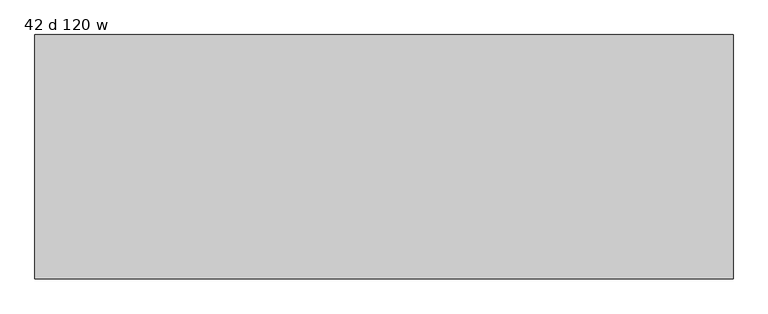
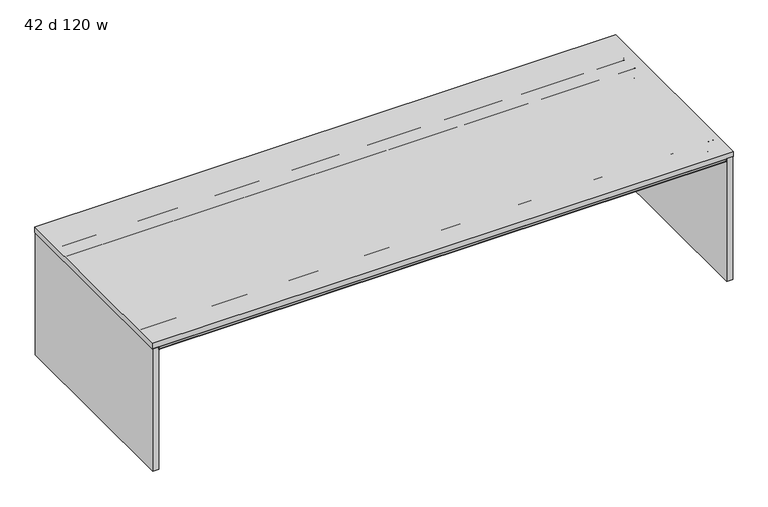
"""IFC4 building model written with IfcOpenShell, lengths in millimetres: furniture geometry, 42 d 120 w."""

from ifc_helpers import new_model, si_unit, frame, origin, place, context, project, spatial, polyline, circle_curve, outline, extrude, source, transform, mapped, element, save
from ifc_brep_helpers import plane_surface, cylinder_surface, revolved_surface, advanced_brep


def furniture_42_d_120_w_5a7261e9(model_context):
    return source(origin(), model_context, "Body", "SolidModel", [
        advanced_brep(
        [(-1489.9632694, -440.6387871, 692.8451368), (-1489.9632694, -440.6387871, 694.3344355), (-1489.9632694, -233.4775792, 694.3344355), (-1489.9632694, -233.4775792, 692.8451368), (-1489.9632694, -297.548793, 692.8451368), (-1489.9632694, -298.3387884, 692.0551414), (-1489.9632694, -298.3387884, 638.9251949), (-1489.9632694, -300.3487901, 636.9151932), (-1489.9632694, -371.3288099, 636.9151932), (-1489.9632694, -373.3387889, 638.9251722), (-1489.9632694, -373.3387889, 692.0551324), (-1489.9632694, -374.1287934, 692.8451368), (-1489.9632694, -377.3440004, 692.8451368), (-1489.9632694, -377.3440004, 691.9551476), (-1489.9632694, -393.351863, 691.9551476), (-1489.9632694, -394.3440074, 690.9630031), (-1489.9632694, -394.3440074, 679.8701294), (-1489.9632694, -396.0239921, 678.1901447), (-1489.9632694, -529.664018, 678.1901447), (-1489.9632694, -531.3440027, 679.8701294), (-1489.9632694, -531.3440027, 692.3851358), (-1489.9632694, -529.3947031, 694.3344355), (-1489.9632694, -511.3440062, 694.3344355), (-1489.9632694, -511.3440062, 692.8451368), (1489.9632694, -373.3387889, 692.0551324), (1489.9632694, -373.3387889, 638.9251722), (1489.9632694, -371.3288099, 636.9151932), (1489.9632694, -300.3487901, 636.9151932), (1489.9632694, -298.3387884, 638.9251949), (1489.9632694, -298.3387884, 692.0551414), (1489.9632694, -297.548793, 692.8451368), (1489.9632694, -233.4775792, 692.8451368), (1489.9632694, -233.4775792, 694.3344355), (1489.9632694, -373.3387889, 694.3344355), (1513.8077008, -374.1287934, 692.8451368), (1513.8077008, -440.6387871, 692.8451368), (1489.9632694, -440.6387871, 692.8451368), (1489.9632694, -377.3440004, 692.8451368), (1489.9632694, -374.1287934, 692.8451368), (-1437.6233975, -373.3387889, 692.0551324), (-1413.7789661, -373.3387889, 692.0551324), (-1457.5087931, -233.4775792, 692.8451368), (-1451.8323695, -235.8288302, 692.8451368), (-1423.0978826, -264.5633064, 692.8451368), (-1405.1373737, -272.0027908, 692.8451368), (1405.1373737, -272.0027908, 692.8451368), (1423.0978826, -264.5633064, 692.8451368), (1451.8323695, -235.8288302, 692.8451368), (1457.5087931, -233.4775792, 692.8451368), (1513.8077008, -440.6387871, 694.3344355), (1513.8077008, -373.3387889, 694.3344355), (1457.5087931, -233.4775792, 694.3344355), (1451.8323695, -235.8288302, 694.3344355), (1423.0978826, -264.5633064, 694.3344355), (1405.1373737, -272.0027908, 694.3344355), (-1405.1373737, -272.0027908, 694.3344355), (-1423.0978826, -264.5633064, 694.3344355), (-1451.8323695, -235.8288302, 694.3344355), (-1457.5087931, -233.4775792, 694.3344355), (1513.8077008, -373.3387889, 692.0551324), (1489.9632694, -396.0239921, 678.1901447), (1489.9632694, -394.3440074, 679.8701294), (1489.9632694, -394.3440074, 690.9630031), (1489.9632694, -393.351863, 691.9551476), (1489.9632694, -377.3440004, 691.9551476), (1489.9632694, -511.3440062, 692.8451368), (1489.9632694, -511.3440062, 694.3344355), (1489.9632694, -529.3947031, 694.3344355), (1489.9632694, -531.3440027, 692.3851358), (1489.9632694, -531.3440027, 679.8701294), (1489.9632694, -529.664018, 678.1901447)],
        [
            (0, 1),
            (1, 2),
            (2, 3),
            (3, 4),
            (4, 5, circle_curve(frame((-1489.9632694, -297.548793, 692.0551414), z_axis=(1.0, 0.0, 0.0), x_axis=(0.0, 1.0, 0.0)), 0.7899954)),
            (5, 6),
            (6, 7, circle_curve(frame((-1489.9632694, -300.3487901, 638.9251949), z_axis=(-1.0, 0.0, 0.0), x_axis=(0.0, 1.0, 0.0)), 2.0100018)),
            (7, 8),
            (8, 9, circle_curve(frame((-1489.9632694, -371.3288099, 638.9251722), z_axis=(-1.0, 0.0, 0.0), x_axis=(0.0, 1.0, 0.0)), 2.0099791)),
            (9, 10),
            (10, 11, circle_curve(frame((-1489.9632694, -374.1287934, 692.0551324), z_axis=(1.0, 0.0, 0.0), x_axis=(0.0, 1.0, 0.0)), 0.7900045)),
            (11, 12),
            (12, 13),
            (13, 14),
            (14, 15, circle_curve(frame((-1489.9632694, -393.351863, 690.9630031), z_axis=(1.0, 0.0, 0.0), x_axis=(0.0, 1.0, 0.0)), 0.9921444)),
            (15, 16),
            (16, 17, circle_curve(frame((-1489.9632694, -396.0239921, 679.8701294), z_axis=(-1.0, 0.0, 0.0), x_axis=(0.0, 1.0, 0.0)), 1.6799847)),
            (17, 18),
            (18, 19, circle_curve(frame((-1489.9632694, -529.664018, 679.8701294), z_axis=(-1.0, 0.0, 0.0), x_axis=(0.0, 1.0, 0.0)), 1.6799847)),
            (19, 20),
            (20, 21, circle_curve(frame((-1489.9632694, -529.3947031, 692.3851358), z_axis=(-1.0, 0.0, 0.0), x_axis=(0.0, 1.0, 0.0)), 1.9492996)),
            (21, 22),
            (22, 23),
            (23, 0),
            (24, 25),
            (25, 26, circle_curve(frame((1489.9632694, -371.3288099, 638.9251722), z_axis=(1.0, 0.0, 0.0), x_axis=(0.0, 1.0, 0.0)), 2.0099791)),
            (26, 27),
            (27, 28, circle_curve(frame((1489.9632694, -300.3487901, 638.9251949), z_axis=(1.0, 0.0, 0.0), x_axis=(0.0, 1.0, 0.0)), 2.0100018)),
            (28, 29),
            (29, 30, circle_curve(frame((1489.9632694, -297.548793, 692.0551414), z_axis=(-1.0, 0.0, 0.0), x_axis=(0.0, 1.0, 0.0)), 0.7899954)),
            (30, 31),
            (31, 32),
            (32, 33),
            (33, 24),
            (34, 35),
            (35, 36),
            (36, 37),
            (37, 12),
            (11, 38),
            (38, 34),
            (10, 39),
            (39, 40),
            (40, 24),
            (24, 38, circle_curve(frame((1489.9632694, -374.1287934, 692.0551324), z_axis=(1.0, 0.0, 0.0), x_axis=(0.0, 1.0, 0.0)), 0.7900045)),
            (9, 25),
            (8, 26),
            (7, 27),
            (6, 28),
            (5, 29),
            (4, 30),
            (3, 41),
            (41, 42, circle_curve(frame((-1457.5087931, -241.505256, 692.8451368), z_axis=(0.0, 0.0, -1.0), x_axis=(-1.0, 0.0, 0.0)), 8.0276768)),
            (42, 43),
            (43, 44, circle_curve(frame((-1405.1373737, -246.6027908, 692.8451368), z_axis=(0.0, 0.0, 1.0), x_axis=(-1.0, 0.0, 0.0)), 25.4)),
            (44, 45),
            (45, 46, circle_curve(frame((1405.1373737, -246.6027908, 692.8451368), z_axis=(0.0, 0.0, 1.0), x_axis=(-1.0, 0.0, 0.0)), 25.4)),
            (46, 47),
            (47, 48, circle_curve(frame((1457.5087931, -241.505256, 692.8451368), z_axis=(0.0, 0.0, -1.0), x_axis=(-1.0, 0.0, 0.0)), 8.0276768)),
            (48, 31),
            (1, 49),
            (49, 50),
            (50, 33),
            (32, 51),
            (51, 52, circle_curve(frame((1457.5087931, -241.505256, 694.3344355), z_axis=(0.0, 0.0, 1.0), x_axis=(-1.0, 0.0, 0.0)), 8.0276768)),
            (52, 53),
            (53, 54, circle_curve(frame((1405.1373737, -246.6027908, 694.3344355), z_axis=(0.0, 0.0, -1.0), x_axis=(-1.0, 0.0, 0.0)), 25.4)),
            (54, 55),
            (55, 56, circle_curve(frame((-1405.1373737, -246.6027908, 694.3344355), z_axis=(0.0, 0.0, -1.0), x_axis=(-1.0, 0.0, 0.0)), 25.4)),
            (56, 57),
            (57, 58, circle_curve(frame((-1457.5087931, -241.505256, 694.3344355), z_axis=(0.0, 0.0, 1.0), x_axis=(-1.0, 0.0, 0.0)), 8.0276768)),
            (58, 2),
            (0, 36),
            (35, 49),
            (34, 59, circle_curve(frame((1513.8077008, -374.1287934, 692.0551324), z_axis=(-1.0, 0.0, 0.0), x_axis=(0.0, 0.0, 1.0)), 0.7900045)),
            (59, 50),
            (24, 59),
            (60, 61, circle_curve(frame((1489.9632694, -396.0239921, 679.8701294), z_axis=(1.0, 0.0, 0.0), x_axis=(0.0, 1.0, 0.0)), 1.6799847)),
            (61, 62),
            (62, 63, circle_curve(frame((1489.9632694, -393.351863, 690.9630031), z_axis=(-1.0, 0.0, 0.0), x_axis=(0.0, 1.0, 0.0)), 0.9921444)),
            (63, 64),
            (64, 37),
            (36, 65),
            (65, 66),
            (66, 67),
            (67, 68, circle_curve(frame((1489.9632694, -529.3947031, 692.3851358), z_axis=(1.0, 0.0, 0.0), x_axis=(0.0, 1.0, 0.0)), 1.9492996)),
            (68, 69),
            (69, 70, circle_curve(frame((1489.9632694, -529.664018, 679.8701294), z_axis=(1.0, 0.0, 0.0), x_axis=(0.0, 1.0, 0.0)), 1.6799847)),
            (70, 60),
            (16, 61),
            (60, 17),
            (15, 62),
            (14, 63),
            (13, 64),
            (23, 65),
            (22, 66),
            (21, 67),
            (20, 68),
            (19, 69),
            (18, 70),
            (58, 41),
            (57, 42),
            (56, 43),
            (55, 44),
            (54, 45),
            (53, 46),
            (52, 47),
            (51, 48),
        ],
        [
            plane_surface(frame((-1489.9632694, -335.8388, 694.3344355), z_axis=(-1.0, 0.0, 0.0), x_axis=(0.0, 0.0, 1.0))),
            plane_surface(frame((1489.9632694, -335.8388, 694.3344355), z_axis=(1.0, 0.0, 0.0), x_axis=(0.0, 0.0, 1.0))),
            plane_surface(frame((-1489.9632694, -374.1287934, 692.8451368), z_axis=(0.0, 0.0, -1.0), x_axis=(1.0, 0.0, 0.0))),
            revolved_surface(polyline([(1489.9632694, -373.3387889, 692.0551324), (-1489.9632694, -373.3387889, 692.0551324)]), (-1489.9632694, -374.1287934, 692.0551324), (1.0, 0.0, 0.0)),
            plane_surface(frame((-1489.9632694, -373.3387889, 638.9251722), z_axis=(0.0, -1.0, 0.0), x_axis=(1.0, 0.0, 0.0))),
            cylinder_surface(frame((-1489.9632694, -371.3288099, 638.9251722), z_axis=(-1.0, 0.0, 0.0), x_axis=(0.0, 1.0, 0.0)), 2.0099791),
            plane_surface(frame((-1489.9632694, -300.3487901, 636.9151932), z_axis=(0.0, 0.0, -1.0), x_axis=(1.0, 0.0, 0.0))),
            cylinder_surface(frame((-1489.9632694, -300.3487901, 638.9251949), z_axis=(-1.0, 0.0, 0.0), x_axis=(0.0, 1.0, 0.0)), 2.0100018),
            plane_surface(frame((-1489.9632694, -298.3387884, 692.0551414), z_axis=(0.0, 1.0, 0.0), x_axis=(1.0, 0.0, 0.0))),
            revolved_surface(polyline([(1489.9632694, -296.7587976, 692.0551414), (-1489.9632694, -296.7587976, 692.0551414)]), (-1489.9632694, -297.548793, 692.0551414), (1.0, 0.0, 0.0)),
            plane_surface(frame((-1489.9632694, -231.0387896, 692.8451368), z_axis=(0.0, 0.0, -1.0), x_axis=(1.0, 0.0, 0.0))),
            plane_surface(frame((-1489.9632694, -440.6387871, 694.3344355), z_axis=(0.0, 0.0, 1.0), x_axis=(1.0, 0.0, 0.0))),
            plane_surface(frame((-1489.9632694, -440.6387871, 692.8451368), z_axis=(0.0, -1.0, 0.0), x_axis=(1.0, 0.0, 0.0))),
            plane_surface(frame((1513.8077008, -440.6387871, 694.3344355), z_axis=(1.0, 0.0, 0.0), x_axis=(0.0, 0.0, -1.0))),
            revolved_surface(polyline([(1489.9632694, -374.1287934, 692.8451369), (1513.8077008, -374.1287934, 692.8451369)]), (1489.9632694, -374.1287934, 692.0551324), (-1.0, 0.0, 0.0)),
            plane_surface(frame((1513.8077008, -373.3387889, 692.0551324), z_axis=(0.0, 1.0, 0.0), x_axis=(-1.0, 0.0, 0.0))),
            plane_surface(frame((1489.9632694, -533.4, 694.3344355), z_axis=(1.0, 0.0, 0.0), x_axis=(0.0, 0.0, 1.0))),
            cylinder_surface(frame((-1489.9632694, -396.0239921, 679.8701294), z_axis=(-1.0, 0.0, 0.0), x_axis=(0.0, 1.0, 0.0)), 1.6799847),
            plane_surface(frame((-1489.9632694, -394.3440074, 690.9630031), z_axis=(0.0, 1.0, 0.0), x_axis=(1.0, 0.0, 0.0))),
            revolved_surface(polyline([(1489.9632694, -392.3597186, 690.9630031), (-1489.9632694, -392.3597186, 690.9630031)]), (-1489.9632694, -393.351863, 690.9630031), (1.0, 0.0, 0.0)),
            plane_surface(frame((-1489.9632694, -377.3440004, 691.9551476), z_axis=(0.0, 0.0, -1.0), x_axis=(1.0, 0.0, 0.0))),
            plane_surface(frame((-1489.9632694, -377.3440004, 692.8451368), z_axis=(0.0, 1.0, 0.0), x_axis=(1.0, 0.0, 0.0))),
            plane_surface(frame((-1489.9632694, -511.3440062, 692.8451368), z_axis=(0.0, 0.0, 1.0), x_axis=(1.0, 0.0, 0.0))),
            plane_surface(frame((-1489.9632694, -511.3440062, 694.3344355), z_axis=(0.0, 1.0, 0.0), x_axis=(1.0, 0.0, 0.0))),
            plane_surface(frame((-1489.9632694, -529.3947031, 694.3344355), z_axis=(0.0, 0.0, 1.0), x_axis=(1.0, 0.0, 0.0))),
            cylinder_surface(frame((-1489.9632694, -529.3947031, 692.3851358), z_axis=(-1.0, 0.0, 0.0), x_axis=(0.0, 1.0, 0.0)), 1.9492996),
            plane_surface(frame((-1489.9632694, -531.3440027, 679.8701294), z_axis=(0.0, -1.0, 0.0), x_axis=(1.0, 0.0, 0.0))),
            cylinder_surface(frame((-1489.9632694, -529.664018, 679.8701294), z_axis=(-1.0, 0.0, 0.0), x_axis=(0.0, 1.0, 0.0)), 1.6799847),
            plane_surface(frame((-1489.9632694, -396.0239921, 678.1901447), z_axis=(0.0, 0.0, -1.0), x_axis=(1.0, 0.0, 0.0))),
            plane_surface(frame((-1489.9632694, -233.4775792, 694.3344355), z_axis=(0.0, 1.0, 0.0), x_axis=(0.0, 0.0, -1.0))),
            cylinder_surface(frame((-1457.5087931, -241.505256, 678.1901447), z_axis=(0.0, 0.0, -1.0), x_axis=(-1.0, 0.0, 0.0)), 8.0276768),
            plane_surface(frame((-1451.8323695, -235.8288302, 694.3344355), z_axis=(0.7071066495450344, 0.7071069128280362, 0.0), x_axis=(0.0, 0.0, -1.0))),
            revolved_surface(polyline([(-1430.5373737, -246.6027908, 694.3344355), (-1430.5373737, -246.6027908, 692.8451368)]), (-1405.1373737, -246.6027908, 678.1901447), (0.0, 0.0, 1.0)),
            plane_surface(frame((-1405.1373737, -272.0027908, 694.3344355), z_axis=(0.0, 1.0, 0.0), x_axis=(0.0, 0.0, -1.0))),
            revolved_surface(polyline([(1379.7373736999998, -246.6027908, 694.3344355), (1379.7373736999998, -246.6027908, 692.8451368)]), (1405.1373737, -246.6027908, 678.1901447), (0.0, 0.0, 1.0)),
            plane_surface(frame((1423.0978826, -264.5633064, 694.3344355), z_axis=(-0.7071066495450087, 0.707106912828062, 0.0), x_axis=(0.0, 0.0, -1.0))),
            cylinder_surface(frame((1457.5087931, -241.505256, 678.1901447), z_axis=(0.0, 0.0, -1.0), x_axis=(-1.0, 0.0, 0.0)), 8.0276768),
            plane_surface(frame((1457.5087931, -233.4775792, 694.3344355), z_axis=(0.0, 1.0, 0.0), x_axis=(0.0, 0.0, -1.0))),
        ],
        [
            (0, [[1, 2, 3, 4, 5, 6, 7, 8, 9, 10, 11, 12, 13, 14, 15, 16, 17, 18, 19, 20, 21, 22, 23, 24]]),
            (1, [[25, 26, 27, 28, 29, 30, 31, 32, 33, 34]]),
            (2, [[35, 36, 37, 38, -12, 39, 40]]),
            (3, [[-11, 41, 42, 43, 44, -39]]),
            (4, [[-10, 45, -25, -43, -42, -41]]),
            (5, [[-9, 46, -26, -45]]),
            (6, [[-8, 47, -27, -46]]),
            (7, [[-7, 48, -28, -47]]),
            (8, [[-6, 49, -29, -48]]),
            (9, [[-5, 50, -30, -49]]),
            (10, [[-50, -4, 51, 52, 53, 54, 55, 56, 57, 58, 59, -31]]),
            (11, [[-2, 60, 61, 62, -33, 63, 64, 65, 66, 67, 68, 69, 70, 71]]),
            (12, [[-1, 72, -36, 73, -60]]),
            (13, [[-73, -35, 74, 75, -61]]),
            (14, [[-74, -40, -44, 76]]),
            (15, [[-75, -76, -34, -62]]),
            (16, [[77, 78, 79, 80, 81, -37, 82, 83, 84, 85, 86, 87, 88]]),
            (17, [[-17, 89, -77, 90]]),
            (18, [[-16, 91, -78, -89]]),
            (19, [[-15, 92, -79, -91]]),
            (20, [[-14, 93, -80, -92]]),
            (21, [[-13, -38, -81, -93]]),
            (22, [[94, -82, -72, -24]]),
            (23, [[-23, 95, -83, -94]]),
            (24, [[-22, 96, -84, -95]]),
            (25, [[-21, 97, -85, -96]]),
            (26, [[-20, 98, -86, -97]]),
            (27, [[-19, 99, -87, -98]]),
            (28, [[-18, -90, -88, -99]]),
            (29, [[100, -51, -3, -71]]),
            (30, [[-100, -70, 101, -52]]),
            (31, [[-101, -69, 102, -53]]),
            (32, [[-102, -68, 103, -54]]),
            (33, [[-103, -67, 104, -55]]),
            (34, [[-104, -66, 105, -56]]),
            (35, [[-105, -65, 106, -57]]),
            (36, [[-106, -64, 107, -58]]),
            (37, [[-107, -63, -32, -59]]),
        ],
    ),
        advanced_brep(
        [(-1489.9632694, 374.1287934, 692.8451368), (-1489.9632694, 373.3387889, 692.0551324), (-1489.9632694, 373.3387889, 638.9251722), (-1489.9632694, 371.3288099, 636.9151932), (-1489.9632694, 300.3487901, 636.9151932), (-1489.9632694, 298.3387884, 638.9251949), (-1489.9632694, 298.3387884, 692.0551414), (-1489.9632694, 297.548793, 692.8451368), (-1489.9632694, 233.4775792, 692.8451368), (-1489.9632694, 233.4775792, 694.3344355), (-1489.9632694, 440.6387871, 694.3344355), (-1489.9632694, 440.6387871, 692.8451368), (-1489.9632694, 511.3440062, 692.8451368), (-1489.9632694, 511.3440062, 694.3344355), (-1489.9632694, 529.3947031, 694.3344355), (-1489.9632694, 531.3440027, 692.3851358), (-1489.9632694, 531.3440027, 679.8701294), (-1489.9632694, 529.664018, 678.1901447), (-1489.9632694, 396.0239921, 678.1901447), (-1489.9632694, 394.3440074, 679.8701294), (-1489.9632694, 394.3440074, 690.9630031), (-1489.9632694, 393.351863, 691.9551476), (-1489.9632694, 377.3440004, 691.9551476), (-1489.9632694, 377.3440004, 692.8451368), (1489.9632694, 297.548793, 692.8451368), (1489.9632694, 298.3387884, 692.0551414), (1489.9632694, 298.3387884, 638.9251949), (1489.9632694, 300.3487901, 636.9151932), (1489.9632694, 371.3288099, 636.9151932), (1489.9632694, 373.3387889, 638.9251722), (1489.9632694, 373.3387889, 692.0551324), (1489.9632694, 373.3387889, 694.3344355), (1489.9632694, 233.4775792, 694.3344355), (1489.9632694, 233.4775792, 692.8451368), (1513.8077008, 440.6387871, 692.8451368), (1513.8077008, 374.1287934, 692.8451368), (1489.9632694, 374.1287934, 692.8451368), (1489.9632694, 377.3440004, 692.8451368), (1489.9632694, 440.6387871, 692.8451368), (-1413.7789661, 373.3387889, 692.0551324), (-1437.6233975, 373.3387889, 692.0551324), (1457.5087931, 233.4775792, 692.8451368), (1451.8323695, 235.8288302, 692.8451368), (1423.0978826, 264.5633064, 692.8451368), (1405.1373737, 272.0027908, 692.8451368), (-1405.1373737, 272.0027908, 692.8451368), (-1423.0978826, 264.5633064, 692.8451368), (-1451.8323695, 235.8288302, 692.8451368), (-1457.5087931, 233.4775792, 692.8451368), (-1457.5087931, 233.4775792, 694.3344355), (-1451.8323695, 235.8288302, 694.3344355), (-1423.0978826, 264.5633064, 694.3344355), (-1405.1373737, 272.0027908, 694.3344355), (1405.1373737, 272.0027908, 694.3344355), (1423.0978826, 264.5633064, 694.3344355), (1451.8323695, 235.8288302, 694.3344355), (1457.5087931, 233.4775792, 694.3344355), (1513.8077008, 373.3387889, 694.3344355), (1513.8077008, 440.6387871, 694.3344355), (1513.8077008, 373.3387889, 692.0551324), (1489.9632694, 396.0239921, 678.1901447), (1489.9632694, 529.664018, 678.1901447), (1489.9632694, 531.3440027, 679.8701294), (1489.9632694, 531.3440027, 692.3851358), (1489.9632694, 529.3947031, 694.3344355), (1489.9632694, 511.3440062, 694.3344355), (1489.9632694, 511.3440062, 692.8451368), (1489.9632694, 377.3440004, 691.9551476), (1489.9632694, 393.351863, 691.9551476), (1489.9632694, 394.3440074, 690.9630031), (1489.9632694, 394.3440074, 679.8701294)],
        [
            (0, 1, circle_curve(frame((-1489.9632694, 374.1287934, 692.0551324), z_axis=(1.0, 0.0, 0.0), x_axis=(0.0, 1.0, 0.0)), 0.7900045)),
            (1, 2),
            (2, 3, circle_curve(frame((-1489.9632694, 371.3288099, 638.9251722), z_axis=(-1.0, 0.0, 0.0), x_axis=(0.0, 1.0, 0.0)), 2.0099791)),
            (3, 4),
            (4, 5, circle_curve(frame((-1489.9632694, 300.3487901, 638.9251949), z_axis=(-1.0, 0.0, 0.0), x_axis=(0.0, 1.0, 0.0)), 2.0100018)),
            (5, 6),
            (6, 7, circle_curve(frame((-1489.9632694, 297.548793, 692.0551414), z_axis=(1.0, 0.0, 0.0), x_axis=(0.0, 1.0, 0.0)), 0.7899954)),
            (7, 8),
            (8, 9),
            (9, 10),
            (10, 11),
            (11, 12),
            (12, 13),
            (13, 14),
            (14, 15, circle_curve(frame((-1489.9632694, 529.3947031, 692.3851358), z_axis=(-1.0, 0.0, 0.0), x_axis=(0.0, 1.0, 0.0)), 1.9492996)),
            (15, 16),
            (16, 17, circle_curve(frame((-1489.9632694, 529.664018, 679.8701294), z_axis=(-1.0, 0.0, 0.0), x_axis=(0.0, 1.0, 0.0)), 1.6799847)),
            (17, 18),
            (18, 19, circle_curve(frame((-1489.9632694, 396.0239921, 679.8701294), z_axis=(-1.0, 0.0, 0.0), x_axis=(0.0, 1.0, 0.0)), 1.6799847)),
            (19, 20),
            (20, 21, circle_curve(frame((-1489.9632694, 393.351863, 690.9630031), z_axis=(1.0, 0.0, 0.0), x_axis=(0.0, 1.0, 0.0)), 0.9921444)),
            (21, 22),
            (22, 23),
            (23, 0),
            (24, 25, circle_curve(frame((1489.9632694, 297.548793, 692.0551414), z_axis=(-1.0, 0.0, 0.0), x_axis=(0.0, 1.0, 0.0)), 0.7899954)),
            (25, 26),
            (26, 27, circle_curve(frame((1489.9632694, 300.3487901, 638.9251949), z_axis=(1.0, 0.0, 0.0), x_axis=(0.0, 1.0, 0.0)), 2.0100018)),
            (27, 28),
            (28, 29, circle_curve(frame((1489.9632694, 371.3288099, 638.9251722), z_axis=(1.0, 0.0, 0.0), x_axis=(0.0, 1.0, 0.0)), 2.0099791)),
            (29, 30),
            (30, 31),
            (31, 32),
            (32, 33),
            (33, 24),
            (34, 35),
            (35, 36),
            (36, 0),
            (23, 37),
            (37, 38),
            (38, 34),
            (36, 30, circle_curve(frame((1489.9632694, 374.1287934, 692.0551324), z_axis=(1.0, 0.0, 0.0), x_axis=(0.0, 1.0, 0.0)), 0.7900045)),
            (30, 39),
            (39, 40),
            (40, 1),
            (29, 2),
            (28, 3),
            (27, 4),
            (26, 5),
            (25, 6),
            (24, 7),
            (33, 41),
            (41, 42, circle_curve(frame((1457.5087931, 241.505256, 692.8451368), z_axis=(0.0, 0.0, -1.0), x_axis=(-1.0, 0.0, 0.0)), 8.0276768)),
            (42, 43),
            (43, 44, circle_curve(frame((1405.1373737, 246.6027908, 692.8451368), z_axis=(0.0, 0.0, 1.0), x_axis=(-1.0, 0.0, 0.0)), 25.4)),
            (44, 45),
            (45, 46, circle_curve(frame((-1405.1373737, 246.6027908, 692.8451368), z_axis=(0.0, 0.0, 1.0), x_axis=(-1.0, 0.0, 0.0)), 25.4)),
            (46, 47),
            (47, 48, circle_curve(frame((-1457.5087931, 241.505256, 692.8451368), z_axis=(0.0, 0.0, -1.0), x_axis=(-1.0, 0.0, 0.0)), 8.0276768)),
            (48, 8),
            (9, 49),
            (49, 50, circle_curve(frame((-1457.5087931, 241.505256, 694.3344355), z_axis=(0.0, 0.0, 1.0), x_axis=(-1.0, 0.0, 0.0)), 8.0276768)),
            (50, 51),
            (51, 52, circle_curve(frame((-1405.1373737, 246.6027908, 694.3344355), z_axis=(0.0, 0.0, -1.0), x_axis=(-1.0, 0.0, 0.0)), 25.4)),
            (52, 53),
            (53, 54, circle_curve(frame((1405.1373737, 246.6027908, 694.3344355), z_axis=(0.0, 0.0, -1.0), x_axis=(-1.0, 0.0, 0.0)), 25.4)),
            (54, 55),
            (55, 56, circle_curve(frame((1457.5087931, 241.505256, 694.3344355), z_axis=(0.0, 0.0, 1.0), x_axis=(-1.0, 0.0, 0.0)), 8.0276768)),
            (56, 32),
            (31, 57),
            (57, 58),
            (58, 10),
            (58, 34),
            (38, 11),
            (57, 59),
            (59, 35, circle_curve(frame((1513.8077008, 374.1287934, 692.0551324), z_axis=(-1.0, 0.0, 0.0), x_axis=(0.0, 0.0, 1.0)), 0.7900045)),
            (30, 59),
            (60, 61),
            (61, 62, circle_curve(frame((1489.9632694, 529.664018, 679.8701294), z_axis=(1.0, 0.0, 0.0), x_axis=(0.0, 1.0, 0.0)), 1.6799847)),
            (62, 63),
            (63, 64, circle_curve(frame((1489.9632694, 529.3947031, 692.3851358), z_axis=(1.0, 0.0, 0.0), x_axis=(0.0, 1.0, 0.0)), 1.9492996)),
            (64, 65),
            (65, 66),
            (66, 38),
            (37, 67),
            (67, 68),
            (68, 69, circle_curve(frame((1489.9632694, 393.351863, 690.9630031), z_axis=(-1.0, 0.0, 0.0), x_axis=(0.0, 1.0, 0.0)), 0.9921444)),
            (69, 70),
            (70, 60, circle_curve(frame((1489.9632694, 396.0239921, 679.8701294), z_axis=(1.0, 0.0, 0.0), x_axis=(0.0, 1.0, 0.0)), 1.6799847)),
            (18, 60),
            (70, 19),
            (69, 20),
            (68, 21),
            (67, 22),
            (66, 12),
            (65, 13),
            (64, 14),
            (63, 15),
            (62, 16),
            (61, 17),
            (56, 41),
            (55, 42),
            (54, 43),
            (53, 44),
            (52, 45),
            (51, 46),
            (50, 47),
            (49, 48),
        ],
        [
            plane_surface(frame((-1489.9632694, 335.8388, 694.3344355), z_axis=(-1.0, 0.0, 0.0), x_axis=(0.0, 0.0, 1.0))),
            plane_surface(frame((1489.9632694, 335.8388, 694.3344355), z_axis=(1.0, 0.0, 0.0), x_axis=(0.0, 0.0, 1.0))),
            plane_surface(frame((-1489.9632694, 440.6387871, 692.8451368), z_axis=(0.0, 0.0, -1.0), x_axis=(1.0, 0.0, 0.0))),
            revolved_surface(polyline([(1489.9632694, 374.9187979, 692.0551324), (-1489.9632694, 374.9187979, 692.0551324)]), (-1489.9632694, 374.1287934, 692.0551324), (1.0, 0.0, 0.0)),
            plane_surface(frame((-1489.9632694, 373.3387889, 692.0551324), z_axis=(0.0, 1.0, 0.0), x_axis=(1.0, 0.0, 0.0))),
            cylinder_surface(frame((-1489.9632694, 371.3288099, 638.9251722), z_axis=(-1.0, 0.0, 0.0), x_axis=(0.0, 1.0, 0.0)), 2.0099791),
            plane_surface(frame((-1489.9632694, 371.3288099, 636.9151932), z_axis=(0.0, 0.0, -1.0), x_axis=(1.0, 0.0, 0.0))),
            cylinder_surface(frame((-1489.9632694, 300.3487901, 638.9251949), z_axis=(-1.0, 0.0, 0.0), x_axis=(0.0, 1.0, 0.0)), 2.0100018),
            plane_surface(frame((-1489.9632694, 298.3387884, 638.9251949), z_axis=(0.0, -1.0, 0.0), x_axis=(1.0, 0.0, 0.0))),
            revolved_surface(polyline([(1489.9632694, 298.3387884, 692.0551414), (-1489.9632694, 298.3387884, 692.0551414)]), (-1489.9632694, 297.548793, 692.0551414), (1.0, 0.0, 0.0)),
            plane_surface(frame((-1489.9632694, 297.548793, 692.8451368), z_axis=(0.0, 0.0, -1.0), x_axis=(1.0, 0.0, 0.0))),
            plane_surface(frame((-1489.9632694, 231.0387896, 694.3344355), z_axis=(0.0, 0.0, 1.0), x_axis=(1.0, 0.0, 0.0))),
            plane_surface(frame((-1489.9632694, 440.6387871, 694.3344355), z_axis=(0.0, 1.0, 0.0), x_axis=(1.0, 0.0, 0.0))),
            plane_surface(frame((1513.8077008, -440.6387871, 694.3344355), z_axis=(1.0, 0.0, 0.0), x_axis=(0.0, 0.0, -1.0))),
            plane_surface(frame((1513.8077008, 373.3387889, 694.3344355), z_axis=(0.0, -1.0, 0.0), x_axis=(-1.0, 0.0, 0.0))),
            revolved_surface(polyline([(1489.9632694, 374.1287934, 692.8451369), (1513.8077008, 374.1287934, 692.8451369)]), (1489.9632694, 374.1287934, 692.0551324), (-1.0, 0.0, 0.0)),
            plane_surface(frame((1489.9632694, 533.4, 694.3344355), z_axis=(1.0, 0.0, 0.0), x_axis=(0.0, 0.0, 1.0))),
            cylinder_surface(frame((-1489.9632694, 396.0239921, 679.8701294), z_axis=(-1.0, 0.0, 0.0), x_axis=(0.0, 1.0, 0.0)), 1.6799847),
            plane_surface(frame((-1489.9632694, 394.3440074, 679.8701294), z_axis=(0.0, -1.0, 0.0), x_axis=(1.0, 0.0, 0.0))),
            revolved_surface(polyline([(1489.9632694, 394.34400739999995, 690.9630031), (-1489.9632694, 394.34400739999995, 690.9630031)]), (-1489.9632694, 393.351863, 690.9630031), (1.0, 0.0, 0.0)),
            plane_surface(frame((-1489.9632694, 393.351863, 691.9551476), z_axis=(0.0, 0.0, -1.0), x_axis=(1.0, 0.0, 0.0))),
            plane_surface(frame((-1489.9632694, 377.3440004, 691.9551476), z_axis=(0.0, -1.0, 0.0), x_axis=(1.0, 0.0, 0.0))),
            plane_surface(frame((-1489.9632694, 377.3440004, 692.8451368), z_axis=(0.0, 0.0, 1.0), x_axis=(1.0, 0.0, 0.0))),
            plane_surface(frame((-1489.9632694, 511.3440062, 692.8451368), z_axis=(0.0, -1.0, 0.0), x_axis=(1.0, 0.0, 0.0))),
            plane_surface(frame((-1489.9632694, 511.3440062, 694.3344355), z_axis=(0.0, 0.0, 1.0), x_axis=(1.0, 0.0, 0.0))),
            cylinder_surface(frame((-1489.9632694, 529.3947031, 692.3851358), z_axis=(-1.0, 0.0, 0.0), x_axis=(0.0, 1.0, 0.0)), 1.9492996),
            plane_surface(frame((-1489.9632694, 531.3440027, 692.3851358), z_axis=(0.0, 1.0, 0.0), x_axis=(1.0, 0.0, 0.0))),
            cylinder_surface(frame((-1489.9632694, 529.664018, 679.8701294), z_axis=(-1.0, 0.0, 0.0), x_axis=(0.0, 1.0, 0.0)), 1.6799847),
            plane_surface(frame((-1489.9632694, 529.664018, 678.1901447), z_axis=(0.0, 0.0, -1.0), x_axis=(1.0, 0.0, 0.0))),
            plane_surface(frame((1489.9632694, 233.4775792, 694.3344355), z_axis=(0.0, -1.0, 0.0), x_axis=(0.0, 0.0, -1.0))),
            cylinder_surface(frame((1457.5087931, 241.505256, 678.1901447), z_axis=(0.0, 0.0, -1.0), x_axis=(-1.0, 0.0, 0.0)), 8.0276768),
            plane_surface(frame((1451.8323695, 235.8288302, 694.3344355), z_axis=(-0.7071066495449017, -0.707106912828169, 0.0), x_axis=(0.0, 0.0, -1.0))),
            revolved_surface(polyline([(1379.7373736999998, 246.6027908, 694.3344355), (1379.7373736999998, 246.6027908, 692.8451368)]), (1405.1373737, 246.6027908, 678.1901447), (0.0, 0.0, 1.0)),
            plane_surface(frame((1405.1373737, 272.0027908, 694.3344355), z_axis=(0.0, -1.0, 0.0), x_axis=(0.0, 0.0, -1.0))),
            revolved_surface(polyline([(-1430.5373737, 246.6027908, 694.3344355), (-1430.5373737, 246.6027908, 692.8451368)]), (-1405.1373737, 246.6027908, 678.1901447), (0.0, 0.0, 1.0)),
            plane_surface(frame((-1423.0978826, 264.5633064, 694.3344355), z_axis=(0.7071066495450019, -0.7071069128280686, 0.0), x_axis=(0.0, 0.0, -1.0))),
            cylinder_surface(frame((-1457.5087931, 241.505256, 678.1901447), z_axis=(0.0, 0.0, -1.0), x_axis=(-1.0, 0.0, 0.0)), 8.0276768),
            plane_surface(frame((-1457.5087931, 233.4775792, 694.3344355), z_axis=(0.0, -1.0, 0.0), x_axis=(0.0, 0.0, -1.0))),
        ],
        [
            (0, [[1, 2, 3, 4, 5, 6, 7, 8, 9, 10, 11, 12, 13, 14, 15, 16, 17, 18, 19, 20, 21, 22, 23, 24]]),
            (1, [[25, 26, 27, 28, 29, 30, 31, 32, 33, 34]]),
            (2, [[35, 36, 37, -24, 38, 39, 40]]),
            (3, [[-1, -37, 41, 42, 43, 44]]),
            (4, [[-2, -44, -43, -42, -30, 45]]),
            (5, [[-3, -45, -29, 46]]),
            (6, [[-4, -46, -28, 47]]),
            (7, [[-5, -47, -27, 48]]),
            (8, [[-6, -48, -26, 49]]),
            (9, [[-7, -49, -25, 50]]),
            (10, [[-50, -34, 51, 52, 53, 54, 55, 56, 57, 58, 59, -8]]),
            (11, [[-10, 60, 61, 62, 63, 64, 65, 66, 67, 68, -32, 69, 70, 71]]),
            (12, [[-11, -71, 72, -40, 73]]),
            (13, [[74, 75, -35, -72, -70]]),
            (14, [[-74, -69, -31, 76]]),
            (15, [[-75, -76, -41, -36]]),
            (16, [[77, 78, 79, 80, 81, 82, 83, -39, 84, 85, 86, 87, 88]]),
            (17, [[-19, 89, -88, 90]]),
            (18, [[-20, -90, -87, 91]]),
            (19, [[-21, -91, -86, 92]]),
            (20, [[-22, -92, -85, 93]]),
            (21, [[-23, -93, -84, -38]]),
            (22, [[94, -12, -73, -83]]),
            (23, [[-13, -94, -82, 95]]),
            (24, [[-14, -95, -81, 96]]),
            (25, [[-15, -96, -80, 97]]),
            (26, [[-16, -97, -79, 98]]),
            (27, [[-17, -98, -78, 99]]),
            (28, [[-18, -99, -77, -89]]),
            (29, [[100, -51, -33, -68]]),
            (30, [[-100, -67, 101, -52]]),
            (31, [[-101, -66, 102, -53]]),
            (32, [[-102, -65, 103, -54]]),
            (33, [[-103, -64, 104, -55]]),
            (34, [[-104, -63, 105, -56]]),
            (35, [[-105, -62, 106, -57]]),
            (36, [[-106, -61, 107, -58]]),
            (37, [[-107, -60, -9, -59]]),
        ],
    ),
        extrude(outline(polyline([(-1489.9632694, 533.4), (-1489.9632694, -533.4), (-1521.5098177, -533.4), (-1521.5098177, 533.4), (-1489.9632694, 533.4)])), frame((0.0, 0.0, 12.2237497), z_axis=(0.0, 0.0, 1.0), x_axis=(1.0, 0.0, 0.0)), (0.0, 0.0, 1.0), 682.1106858),
        extrude(outline(polyline([(1489.9632694, 533.4), (1521.5098177, 533.4), (1521.5098177, -533.4), (1489.9632694, -533.4), (1489.9632694, 533.4)])), frame((0.0, 0.0, 12.2237497), z_axis=(0.0, 0.0, 1.0), x_axis=(1.0, 0.0, 0.0)), (0.0, 0.0, 1.0), 682.1106858),
        extrude(outline(polyline([(1524.0, 533.4), (1524.0, -533.4), (-1524.0, -533.4), (-1524.0, 533.4), (1524.0, 533.4)])), frame((0.0, 0.0, 694.3344355), z_axis=(0.0, 0.0, 1.0), x_axis=(1.0, 0.0, 0.0)), (0.0, 0.0, 1.0), 29.5655645),
    ])


if __name__ == "__main__":
    model = new_model("IFC4")
    model_context = context("Model", 3, world=origin())
    ifc_project = project(units=[si_unit("LENGTHUNIT", "METRE", prefix="MILLI")], contexts=[model_context])
    site = spatial("IfcSite", under=ifc_project)
    building = spatial("IfcBuilding", under=site)
    placement = place(None, origin())
    furniture_42_d_120_w_shape = furniture_42_d_120_w_5a7261e9(model_context)
    element("IfcFurniture", 1, ObjectType="42 d 120 w", at=placement, inside=building, context=model_context, shape_type="MappedRepresentation", body=[
        mapped(furniture_42_d_120_w_shape, transform((0.0, 0.0, 0.0), x_axis=(1.0, 0.0, 0.0), y_axis=(0.0, 1.0, 0.0), z_axis=(0.0, 0.0, 1.0))),
    ])
    save(model, "model.ifc")
